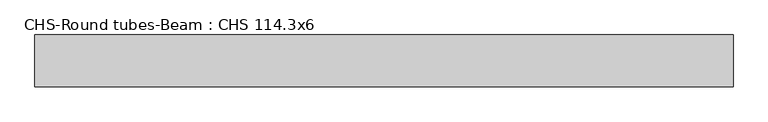
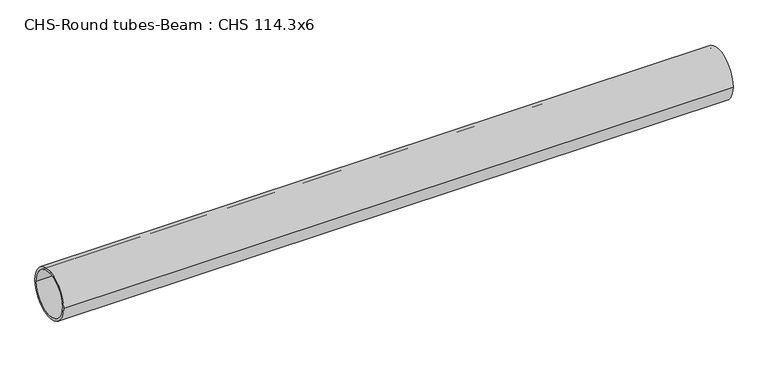
"""IFC4 building model written with IfcOpenShell, lengths in millimetres: beam geometry, CHS-Round tubes-Beam : CHS 114.3x6."""

from ifc_helpers import new_model, si_unit, point, frame, origin, origin_2d, place, context, project, spatial, circle_curve, trimmed, segment, composite_curve, outline, extrude, source, transform, mapped, element, save


def chs_round_tubes_beam_chs_114_3x6_680cd9cf(model_context):
    return source(origin(), model_context, "Body", "SweptSolid", [
        extrude(outline(composite_curve([segment(trimmed(circle_curve(origin_2d(), 57.15), [point((57.15, 0.0))], [point((-57.15, 0.0))], False, "CARTESIAN"), True, "CONTINUOUS"), segment(trimmed(circle_curve(origin_2d(), 57.15), [point((-57.15, 0.0))], [point((57.15, 0.0))], False, "CARTESIAN"), True, "CONTINUOUS")], self_intersect=False), holes=[composite_curve([segment(trimmed(circle_curve(origin_2d(), 51.15), [point((51.15, 0.0))], [point((-51.15, 0.0))], True, "CARTESIAN"), True, "CONTINUOUS"), segment(trimmed(circle_curve(origin_2d(), 51.15), [point((-51.15, 0.0))], [point((51.15, 0.0))], True, "CARTESIAN"), True, "CONTINUOUS")], self_intersect=False)]), frame((-755.3293643, 0.0, 0.0), z_axis=(1.0, 0.0, 0.0), x_axis=(0.0, 1.0, 0.0)), (0.0, 0.0, 1.0), 1536.1088199),
    ])


if __name__ == "__main__":
    model = new_model("IFC4")
    model_context = context("Model", 3, world=origin())
    ifc_project = project(units=[si_unit("LENGTHUNIT", "METRE", prefix="MILLI")], contexts=[model_context])
    site = spatial("IfcSite", under=ifc_project)
    building = spatial("IfcBuilding", under=site)
    placement = place(None, origin())
    chs_round_tubes_beam_chs_114_3x6_shape = chs_round_tubes_beam_chs_114_3x6_680cd9cf(model_context)
    element("IfcBeam", 1, ObjectType="CHS-Round tubes-Beam : CHS 114.3x6", at=placement, inside=building, context=model_context, shape_type="MappedRepresentation", body=[
        mapped(chs_round_tubes_beam_chs_114_3x6_shape, transform((0.0, 0.0, 0.0), x_axis=(1.0, 0.0, 0.0), y_axis=(0.0, 1.0, 0.0), z_axis=(0.0, 0.0, 1.0))),
    ])
    save(model, "model.ifc")
